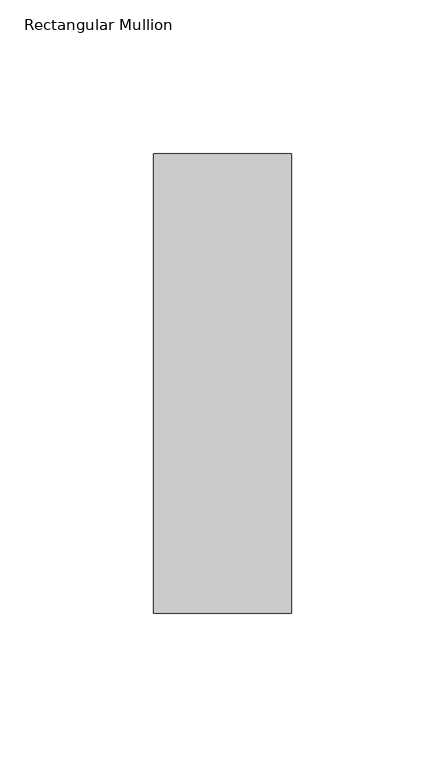
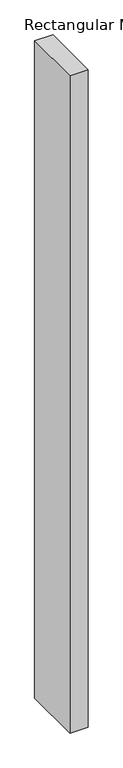
"""IFC4 building model written with IfcOpenShell, lengths in millimetres: member geometry, Rectangular Mullion."""

import ifcopenshell
import ifcopenshell.guid

model = None  # the IFC model being written
_history = None  # IfcOwnerHistory: only IFC2X3 demands one
_inside = {}  # id of a spatial element -> (the spatial element, [elements in it])
_under = {}  # id of a project, library or spatial element -> (it, [spatial elements below it])
_declared = {}  # id of a project -> (the project, [libraries it declares])
_typed = {}  # id of a type object -> (the type object, [elements of that type])
_made_of = {}  # id of a material, layer set ... -> (it, [elements and type objects made of it])


def new_model(schema):
    """Start an empty IFC model of exactly this schema.

    Asked for "IFC4X3", IfcOpenShell would pick the latest addendum, in which some entities
    have other attributes; the version numbers below select the first issue.
    IFC2X3 requires an IfcOwnerHistory on every rooted entity: one is made here for all.
    """
    global model, _history
    if schema == "IFC4X3":
        model = ifcopenshell.file(schema_version=(4, 3, 0, 0))
    else:
        model = ifcopenshell.file(schema=schema)
    _inside.clear()
    _under.clear()
    _declared.clear()
    _typed.clear()
    _made_of.clear()
    _history = None
    if model.schema == "IFC2X3":
        org = make("IfcOrganization", Name="unknown")
        user = make(
            "IfcPersonAndOrganization",
            ThePerson=make("IfcPerson", FamilyName="unknown"),
            TheOrganization=org,
        )
        app = make(
            "IfcApplication",
            ApplicationDeveloper=org,
            Version="unknown",
            ApplicationFullName="unknown",
            ApplicationIdentifier="unknown",
        )
        _history = make(
            "IfcOwnerHistory",
            OwningUser=user,
            OwningApplication=app,
            ChangeAction="ADDED",
            CreationDate=0,
        )
    return model


def make(cls, **values):
    """One entity of the class cls with the attributes given. An attribute that is None is left unset."""
    return model.create_entity(
        cls, **{name: value for name, value in values.items() if value is not None}
    )


def rooted(cls, **values):
    """An entity with a GlobalId (a new one), such as an element, a storey or a relation."""
    return make(cls, GlobalId=ifcopenshell.guid.new(), OwnerHistory=_history, **values)


def si_unit(unit_type, name, prefix=None):
    """IfcSIUnit, for example si_unit("LENGTHUNIT", "METRE", prefix="MILLI")."""
    return make("IfcSIUnit", UnitType=unit_type, Prefix=prefix, Name=name)


def assignment(units):
    """IfcUnitAssignment: the units of a project."""
    return None if units is None else make("IfcUnitAssignment", Units=units)


def point(xyz):
    """IfcCartesianPoint."""
    return None if xyz is None else make("IfcCartesianPoint", Coordinates=xyz)


def direction(xyz):
    """IfcDirection."""
    return None if xyz is None else make("IfcDirection", DirectionRatios=xyz)


def frame(location, z_axis=None, x_axis=None):
    """IfcAxis2Placement3D, a coordinate frame: its origin and axes. An axis left out is left unset."""
    return make(
        "IfcAxis2Placement3D",
        Location=point(location),
        Axis=direction(z_axis),
        RefDirection=direction(x_axis),
    )


def origin():
    """The frame at (0, 0, 0) with its axes left unset."""
    return frame((0.0, 0.0, 0.0))


def place(relative_to, where):
    """IfcLocalPlacement: puts the frame where relative to a parent placement (None: the world)."""
    return make(
        "IfcLocalPlacement", PlacementRelTo=relative_to, RelativePlacement=where
    )


def context(
    kind, dimensions, precision=None, world=None, true_north=None, identifier=None
):
    """IfcGeometricRepresentationContext, for example the 3D "Model" context."""
    return make(
        "IfcGeometricRepresentationContext",
        ContextIdentifier=identifier,
        ContextType=kind,
        CoordinateSpaceDimension=dimensions,
        Precision=precision,
        WorldCoordinateSystem=world,
        TrueNorth=true_north,
    )


def project(units=None, contexts=None):
    """IfcProject with its units and contexts."""
    return rooted(
        "IfcProject",
        Name="project",
        RepresentationContexts=contexts,
        UnitsInContext=assignment(units),
    )


def spatial(cls, under=None, at=None, **own):
    """A site, building, storey or space (cls), placed at a placement, below another one or the project."""
    s = rooted(cls, ObjectPlacement=at, **own)
    if under is not None:
        _under.setdefault(under.id(), (under, []))[1].append(s)
    return s


def polyline(points):
    """IfcPolyline through the points."""
    return make("IfcPolyline", Points=[point(p) for p in points])


def outline(outer, holes=None, kind="AREA"):
    """IfcArbitraryClosedProfileDef: a profile drawn as a closed curve; with holes, ...WithVoids."""
    if holes is None:
        return make("IfcArbitraryClosedProfileDef", ProfileType=kind, OuterCurve=outer)
    return make(
        "IfcArbitraryProfileDefWithVoids",
        ProfileType=kind,
        OuterCurve=outer,
        InnerCurves=holes,
    )


def extrude(swept, where, along, depth):
    """IfcExtrudedAreaSolid: the profile swept, set in the frame where, extruded along a direction by depth."""
    return make(
        "IfcExtrudedAreaSolid",
        SweptArea=swept,
        Position=where,
        ExtrudedDirection=direction(along),
        Depth=depth,
    )


def shape(context_of_items, identifier, shape_type, items):
    """IfcShapeRepresentation: the items that make up one representation, for example the "Body"."""
    return make(
        "IfcShapeRepresentation",
        ContextOfItems=context_of_items,
        RepresentationIdentifier=identifier,
        RepresentationType=shape_type,
        Items=items,
    )


def source(mapping_origin, context_of_items, identifier, shape_type, items):
    """IfcRepresentationMap: a shape defined once, which mapped items show again and again."""
    return make(
        "IfcRepresentationMap",
        MappingOrigin=mapping_origin,
        MappedRepresentation=shape(context_of_items, identifier, shape_type, items),
    )


def transform(
    local_origin,
    x_axis=None,
    y_axis=None,
    z_axis=None,
    scale=None,
    scale2=None,
    scale3=None,
    uniform=True,
):
    """IfcCartesianTransformationOperator3D, or its non-uniform kind. x_axis, y_axis, z_axis: its Axis1, 2, 3."""
    if uniform:
        return make(
            "IfcCartesianTransformationOperator3D",
            Axis1=direction(x_axis),
            Axis2=direction(y_axis),
            LocalOrigin=point(local_origin),
            Scale=scale,
            Axis3=direction(z_axis),
        )
    return make(
        "IfcCartesianTransformationOperator3DnonUniform",
        Axis1=direction(x_axis),
        Axis2=direction(y_axis),
        LocalOrigin=point(local_origin),
        Scale=scale,
        Axis3=direction(z_axis),
        Scale2=scale2,
        Scale3=scale3,
    )


def mapped(mapping_source, mapping_target):
    """IfcMappedItem: shows the shape of a source again, moved by a transform."""
    return make(
        "IfcMappedItem", MappingSource=mapping_source, MappingTarget=mapping_target
    )


def made_of(thing, what):
    """Note that an element or type object is made of a material, layer set ...; save() writes the relation."""
    if what is not None:
        _made_of.setdefault(what.id(), (what, []))[1].append(thing)
    return thing


def element(
    cls,
    number,
    at=None,
    inside=None,
    cuts=None,
    type_object=None,
    material=None,
    context=None,
    identifier="Body",
    shape_type=None,
    held_by="IfcProductDefinitionShape",
    body=None,
    shapes=None,
    **own,
):
    """One element of the class cls, such as IfcWall. Its Tag is "e" and its number.

    at: its placement. inside: the storey or other place that contains it. cuts: it is an
    opening in that element (IfcRelVoidsElement). A single representation is given by context,
    identifier, shape_type and body (its items); several are given by shapes. held_by: the class
    of the entity that holds the representations. save() writes the other relations.
    """
    e = rooted(cls, Tag="e%d" % number, ObjectPlacement=at, **own)
    if body is not None:
        shapes = [shape(context, identifier, shape_type, body)]
    if shapes is not None:
        e.Representation = make(held_by, Representations=shapes)
    if inside is not None:
        _inside.setdefault(inside.id(), (inside, []))[1].append(e)
    if cuts is not None:
        rooted(
            "IfcRelVoidsElement", RelatingBuildingElement=cuts, RelatedOpeningElement=e
        )
    if type_object is not None:
        _typed.setdefault(type_object.id(), (type_object, []))[1].append(e)
    return made_of(e, material)


def aggregate(whole, parts):
    """IfcRelAggregates: a whole, such as a stair, and the parts it consists of."""
    return rooted("IfcRelAggregates", RelatingObject=whole, RelatedObjects=parts)


def save(model, path):
    """Write the relations noted so far, then the file.

    IfcRelAggregates (storeys below a building ...), IfcRelContainedInSpatialStructure (elements
    in a storey), IfcRelDefinesByType, IfcRelAssociatesMaterial and IfcRelDeclares: one each for
    every whole, place, type object, material and project.
    """
    for whole, parts in _under.values():
        aggregate(whole, parts)
    for where, things in _inside.values():
        rooted(
            "IfcRelContainedInSpatialStructure",
            RelatedElements=things,
            RelatingStructure=where,
        )
    for kind, things in _typed.values():
        rooted("IfcRelDefinesByType", RelatedObjects=things, RelatingType=kind)
    for what, things in _made_of.values():
        rooted("IfcRelAssociatesMaterial", RelatedObjects=things, RelatingMaterial=what)
    for by, libraries in _declared.values():
        rooted("IfcRelDeclares", RelatingContext=by, RelatedDefinitions=libraries)
    model.write(path)


def rectangular_mullion_a309df6d(model_context):
    return source(origin(), model_context, "Body", "SweptSolid", [
        extrude(outline(polyline([(22.5, 102.84375), (22.5, -46.84375), (-22.5, -46.84375), (-22.5, 102.84375), (22.5, 102.84375)])), frame((0.0, 0.0, -1708.8912252), z_axis=(0.0, 0.0, 1.0), x_axis=(1.0, 0.0, 0.0)), (0.0, 0.0, 1.0), 1708.8912252),
    ])


if __name__ == "__main__":
    model = new_model("IFC4")
    model_context = context("Model", 3, world=origin())
    ifc_project = project(units=[si_unit("LENGTHUNIT", "METRE", prefix="MILLI")], contexts=[model_context])
    site = spatial("IfcSite", under=ifc_project)
    building = spatial("IfcBuilding", under=site)
    placement = place(None, origin())
    rectangular_mullion_shape = rectangular_mullion_a309df6d(model_context)
    element("IfcMember", 1, ObjectType="Rectangular Mullion", at=placement, inside=building, context=model_context, shape_type="MappedRepresentation", body=[
        mapped(rectangular_mullion_shape, transform((0.0, 0.0, 0.0), x_axis=(1.0, 0.0, 0.0), y_axis=(0.0, 1.0, 0.0), z_axis=(0.0, 0.0, 1.0))),
    ])
    save(model, "model.ifc")
